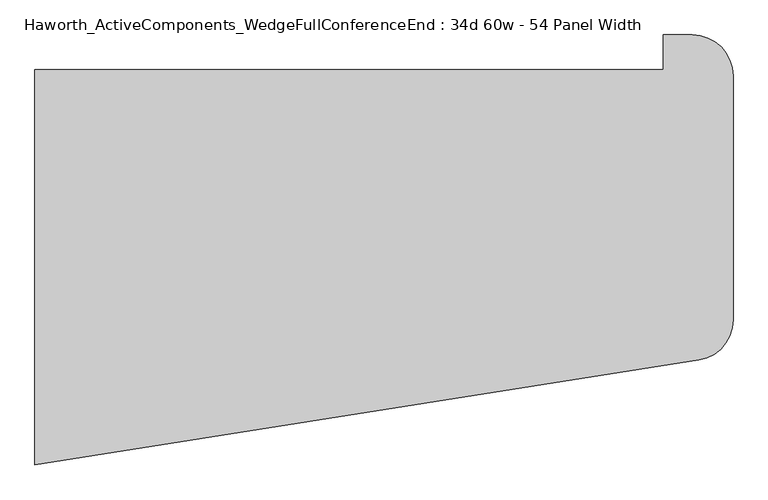
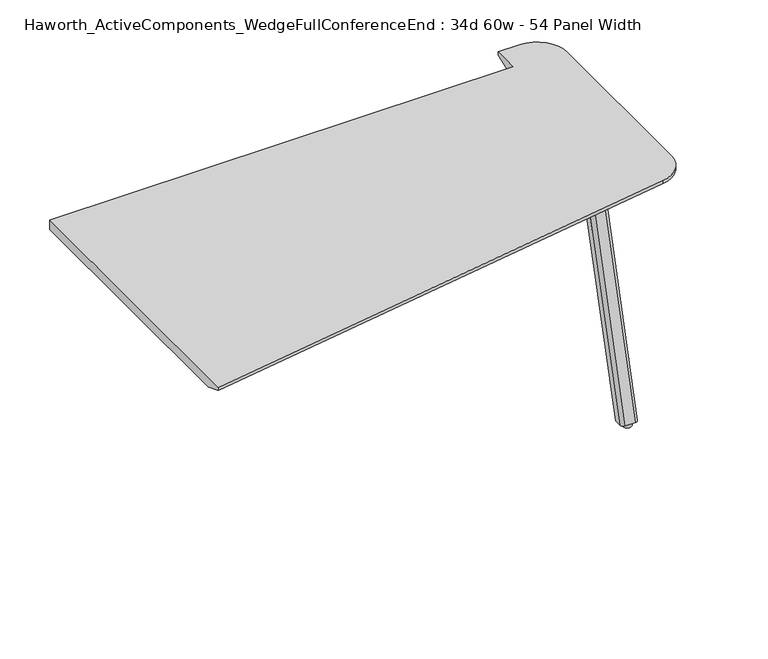
"""IFC4 building model written with IfcOpenShell, lengths in millimetres: furniture geometry, Haworth_ActiveComponents_WedgeFullConferenceEnd : 34d 60w - 54 Panel Width."""

from ifc_helpers import new_model, si_unit, point, frame, frame_2d, origin, origin_with_axes, place, context, project, spatial, polyline, circle_curve, trimmed, segment, composite_curve, outline, extrude, source, transform, mapped, element, save
from ifc_brep_helpers import plane_surface, cylinder_surface, revolved_surface, extruded_surface, advanced_brep


def haworth_activecomponents_wedgefullconferenceend_34d_60w_54_9a3c66e5(model_context):
    return source(origin(), model_context, "Body", "SolidModel", [
        extrude(outline(composite_curve([segment(trimmed(circle_curve(frame_2d((1056.894, -129.8605172)), 9.525), [point((1056.894, -120.3355172))], [point((1066.419, -129.8605172))], False, "CARTESIAN"), True, "CONTINUOUS"), segment(polyline([(1066.419, -129.8605172), (1066.419, -212.5338866)]), True, "CONTINUOUS"), segment(trimmed(circle_curve(frame_2d((1056.894, -212.5338866)), 9.525), [point((1066.419, -212.5338866))], [point((1056.894, -222.0588866))], False, "CARTESIAN"), True, "CONTINUOUS"), segment(polyline([(1056.894, -222.0588866), (948.9440004, -222.0588866)]), True, "CONTINUOUS"), segment(trimmed(circle_curve(frame_2d((948.9440004, -212.5338866)), 9.525), [point((948.9440004, -222.0588866))], [point((939.4190004, -212.5338866))], False, "CARTESIAN"), True, "CONTINUOUS"), segment(polyline([(939.4190004, -212.5338866), (939.4190004, -129.8605172)]), True, "CONTINUOUS"), segment(trimmed(circle_curve(frame_2d((948.9440004, -129.8605172)), 9.525), [point((939.4190004, -129.8605172))], [point((948.9440004, -120.3355172))], False, "CARTESIAN"), True, "CONTINUOUS"), segment(polyline([(948.9440004, -120.3355172), (1056.894, -120.3355172)]), True, "CONTINUOUS")], self_intersect=False)), frame((0.0, 0.0, 705.2055742), z_axis=(0.0, 0.0, 1.0), x_axis=(1.0, 0.0, 0.0)), (0.0, 0.0, 1.0), 5.9944258),
        advanced_brep(
        [(1050.925, -214.8347266, 705.2055742), (1060.45, -205.3097266, 705.2055742), (1060.45, -184.6722266, 705.2055742), (1009.65, -184.6722266, 705.2055742), (1009.65, -205.3097266, 705.2055742), (1019.175, -214.8347266, 705.2055742), (1050.925, -401.3230172, 12.7), (1019.175, -401.3230172, 12.7), (1009.65, -391.7980172, 12.7), (1009.65, -371.1605172, 12.7), (1060.45, -371.1605172, 12.7), (1060.45, -391.7980172, 12.7)],
        [
            (0, 1, circle_curve(frame((1050.925, -205.3097266, 705.2055742), z_axis=(0.0, 0.0, 1.0), x_axis=(1.0, 0.0, 0.0)), 9.525)),
            (1, 2),
            (2, 3),
            (3, 4),
            (4, 5, circle_curve(frame((1019.175, -205.3097266, 705.2055742), z_axis=(0.0, 0.0, 1.0), x_axis=(1.0, 0.0, 0.0)), 9.525)),
            (5, 0),
            (6, 7),
            (7, 8, circle_curve(frame((1019.175, -391.7980172, 12.7), z_axis=(0.0, 0.0, -1.0), x_axis=(1.0, 0.0, 0.0)), 9.525)),
            (8, 9),
            (9, 10),
            (10, 11),
            (11, 6, circle_curve(frame((1050.925, -391.7980172, 12.7), z_axis=(0.0, 0.0, -1.0), x_axis=(1.0, 0.0, 0.0)), 9.525)),
            (11, 1),
            (0, 6),
            (10, 2),
            (9, 3),
            (8, 4),
            (7, 5),
        ],
        [
            plane_surface(frame((1035.05, -201.6055599, 705.2055742), z_axis=(0.0, 0.0, 1.0), x_axis=(-1.0, 0.0, 0.0))),
            plane_surface(frame((1035.05, -388.0938506, 12.7), z_axis=(0.0, 0.0, -1.0), x_axis=(-1.0, 0.0, 0.0))),
            extruded_surface(trimmed(circle_curve(frame((1050.925, -391.7980172, 12.7), z_axis=(0.0, 0.0, 1.0), x_axis=(1.0, 0.0, 0.0)), 9.525), [point((1050.925, -401.3230172, 12.7))], [point((1060.45, -391.7980172, 12.7))], True, "CARTESIAN"), (0.0, 186.4882906, 692.5055742), 717.1763052618106),
            plane_surface(frame((1060.45, -381.4792672, 12.7), z_axis=(1.0, 0.0, 0.0), x_axis=(0.0, 1.0, 0.0))),
            plane_surface(frame((1035.05, -371.1605172, 12.7), z_axis=(0.0, 0.9656001865922422, -0.260031305140414), x_axis=(-1.0, 0.0, 0.0))),
            plane_surface(frame((1009.65, -381.4792672, 12.7), z_axis=(-1.0, 0.0, 0.0), x_axis=(0.0, -1.0, 0.0))),
            extruded_surface(trimmed(circle_curve(frame((1019.175, -391.7980172, 12.7), z_axis=(0.0, 0.0, 1.0), x_axis=(1.0, 0.0, 0.0)), 9.525), [point((1009.65, -391.7980172, 12.7))], [point((1019.175, -401.3230172, 12.7))], True, "CARTESIAN"), (0.0, 186.4882906, 692.5055742), 717.1763052618106),
            plane_surface(frame((1035.05, -401.3230172, 12.7), z_axis=(0.0, -0.9656001865922422, 0.260031305140414), x_axis=(1.0, 0.0, 0.0))),
        ],
        [
            (0, [[1, 2, 3, 4, 5, 6]]),
            (1, [[7, 8, 9, 10, 11, 12]]),
            (2, [[-12, 13, -1, 14]]),
            (3, [[-11, 15, -2, -13]]),
            (4, [[-10, 16, -3, -15]]),
            (5, [[-9, 17, -4, -16]]),
            (6, [[-8, 18, -5, -17]]),
            (7, [[-7, -14, -6, -18]]),
        ],
    ),
        extrude(outline(composite_curve([segment(trimmed(circle_curve(frame_2d((1035.05, -385.4480172)), 12.7), [point((1022.35, -385.4480172))], [point((1047.75, -385.4480172))], False, "CARTESIAN"), True, "CONTINUOUS"), segment(trimmed(circle_curve(frame_2d((1035.05, -385.4480172)), 12.7), [point((1047.75, -385.4480172))], [point((1022.35, -385.4480172))], False, "CARTESIAN"), True, "CONTINUOUS")], self_intersect=False)), origin_with_axes(), (0.0, 0.0, 1.0), 12.7),
        advanced_brep(
        [(1054.1, 232.0465234, 741.3625), (-317.5, 232.0465234, 741.3625), (-317.5, -631.5534766, 741.3625), (1131.5070239, -402.05331, 741.3625), (1206.5, -314.2478166, 741.3625), (1206.5, 219.3465234, 741.3625), (1117.6, 308.2465234, 741.3625), (1054.1, 308.2465234, 741.3625), (-317.5, 232.0465234, 711.2), (1054.1, 232.0465234, 711.2), (1054.1, 257.4465234, 711.2), (1117.6, 257.4465234, 711.2), (1155.7, 219.3465234, 711.2), (1155.7, -314.2478166, 711.2), (1123.5601531, -351.8787423, 711.2), (-317.5, -580.1202482, 711.2), (-317.5, -631.5534766, 731.8375), (1206.5, -314.2478166, 731.8375), (1206.5, 219.3465234, 731.8375), (1117.6, 308.2465234, 731.8375), (1054.1, 308.2465234, 731.8375), (1131.5070239, -402.05331, 731.8375)],
        [
            (0, 1),
            (1, 2),
            (2, 3),
            (3, 4, circle_curve(frame((1117.6, -314.2478166, 741.3625), z_axis=(0.0, 0.0, 1.0), x_axis=(1.0, 0.0, 0.0)), 88.9)),
            (4, 5),
            (5, 6, circle_curve(frame((1117.6, 219.3465234, 741.3625), z_axis=(0.0, 0.0, 1.0), x_axis=(1.0, 0.0, 0.0)), 88.9)),
            (6, 7),
            (7, 0),
            (8, 9),
            (9, 10),
            (10, 11),
            (11, 12, circle_curve(frame((1117.6, 219.3465234, 711.2), z_axis=(0.0, 0.0, -1.0), x_axis=(1.0, 0.0, 0.0)), 38.1)),
            (12, 13),
            (13, 14, circle_curve(frame((1117.6, -314.2478166, 711.2), z_axis=(0.0, 0.0, -1.0), x_axis=(0.1564344650402219, -0.9876883405951391, 0.0)), 38.1)),
            (14, 15),
            (15, 8),
            (0, 9),
            (8, 1),
            (15, 16),
            (16, 2),
            (4, 17),
            (17, 18),
            (18, 5),
            (6, 19),
            (19, 20),
            (20, 7),
            (20, 10),
            (18, 19, circle_curve(frame((1117.6, 219.3465234, 731.8375), z_axis=(0.0, 0.0, 1.0), x_axis=(1.0, 0.0, 0.0)), 88.9)),
            (16, 21),
            (21, 3),
            (21, 17, circle_curve(frame((1117.6, -314.2478166, 731.8375), z_axis=(0.0, 0.0, 1.0), x_axis=(1.0, 0.0, 0.0)), 88.9)),
            (14, 21),
            (13, 17),
            (12, 18),
            (11, 19),
        ],
        [
            plane_surface(frame((-317.5, 232.0465234, 741.3625), z_axis=(0.0, 0.0, 1.0), x_axis=(-1.0, 0.0, 0.0))),
            plane_surface(frame((-317.5, 232.0465234, 711.2), z_axis=(0.0, 0.0, -1.0), x_axis=(1.0, 0.0, 0.0))),
            plane_surface(frame((1054.1, 232.0465234, 741.3625), z_axis=(0.0, 1.0, 0.0), x_axis=(0.0, 0.0, -1.0))),
            plane_surface(frame((-317.5, 232.0465234, 741.3625), z_axis=(-1.0, 0.0, 0.0), x_axis=(0.0, 0.0, -1.0))),
            plane_surface(frame((1206.5, -314.2478166, 741.3625), z_axis=(1.0, 0.0, 0.0), x_axis=(0.0, 0.0, -1.0))),
            plane_surface(frame((1117.6, 308.2465234, 741.3625), z_axis=(0.0, 1.0, 0.0), x_axis=(0.0, 0.0, -1.0))),
            plane_surface(frame((1054.1, 308.2465234, 741.3625), z_axis=(-1.0, 0.0, 0.0), x_axis=(0.0, 0.0, -1.0))),
            cylinder_surface(frame((1117.6, 219.3465234, 711.2), z_axis=(0.0, 0.0, 1.0), x_axis=(1.0, 0.0, 0.0)), 88.9),
            plane_surface(frame((-317.5, -631.5534766, 741.3625), z_axis=(0.15643446504023395, -0.9876883405951372, 0.0), x_axis=(0.0, 0.0, -1.0))),
            cylinder_surface(frame((1117.6, -314.2478166, 711.2), z_axis=(0.0, 0.0, 1.0), x_axis=(1.0, 0.0, 0.0)), 88.9),
            plane_surface(frame((-317.5, -631.5534766, 731.8375), z_axis=(0.058878341994061445, -0.3717432209465532, -0.9264665771220854), x_axis=(0.9876883405951373, 0.15643446504023395, 0.0))),
            revolved_surface(polyline([(1123.5601531, -351.8787423, 711.2), (1131.5070239, -402.05331, 731.8375)]), (1117.6, -314.2478166, 741.3625), (0.0, 0.0, 1.0)),
            plane_surface(frame((1206.5, -314.2478166, 731.8375), z_axis=(0.37637704695648944, 0.0, -0.9264665771220852), x_axis=(0.0, 1.0, 0.0))),
            revolved_surface(polyline([(1155.7, 219.3465234, 711.2), (1206.5, 219.3465234, 731.8375)]), (1117.6, 219.3465234, 741.3625), (0.0, 0.0, 1.0)),
            plane_surface(frame((1117.6, 308.2465234, 731.8375), z_axis=(0.0, 0.37637704695648944, -0.9264665771220852), x_axis=(-1.0, 0.0, 0.0))),
        ],
        [
            (0, [[1, 2, 3, 4, 5, 6, 7, 8]]),
            (1, [[9, 10, 11, 12, 13, 14, 15, 16]]),
            (2, [[-1, 17, -9, 18]]),
            (3, [[-2, -18, -16, 19, 20]]),
            (4, [[-5, 21, 22, 23]]),
            (5, [[-7, 24, 25, 26]]),
            (6, [[-8, -26, 27, -10, -17]]),
            (7, [[-6, -23, 28, -24]]),
            (8, [[-3, -20, 29, 30]]),
            (9, [[-4, -30, 31, -21]]),
            (10, [[32, -29, -19, -15]]),
            (11, [[-32, -14, 33, -31]]),
            (12, [[-33, -13, 34, -22]]),
            (13, [[-34, -12, 35, -28]]),
            (14, [[-35, -11, -27, -25]]),
        ],
    ),
    ])


if __name__ == "__main__":
    model = new_model("IFC4")
    model_context = context("Model", 3, world=origin())
    ifc_project = project(units=[si_unit("LENGTHUNIT", "METRE", prefix="MILLI")], contexts=[model_context])
    site = spatial("IfcSite", under=ifc_project)
    building = spatial("IfcBuilding", under=site)
    placement = place(None, origin())
    haworth_activecomponents_wedgefullconferenceend_34d_60w_54_shape = haworth_activecomponents_wedgefullconferenceend_34d_60w_54_9a3c66e5(model_context)
    element("IfcFurniture", 1, ObjectType="Haworth_ActiveComponents_WedgeFullConferenceEnd : 34d 60w - 54 Panel Width", at=placement, inside=building, context=model_context, shape_type="MappedRepresentation", body=[
        mapped(haworth_activecomponents_wedgefullconferenceend_34d_60w_54_shape, transform((0.0, 0.0, 0.0), x_axis=(1.0, 0.0, 0.0), y_axis=(0.0, 1.0, 0.0), z_axis=(0.0, 0.0, 1.0))),
    ])
    save(model, "model.ifc")
